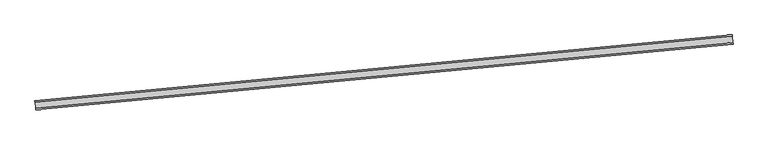
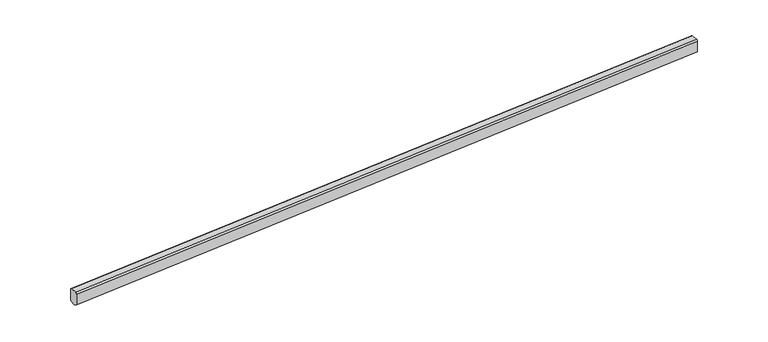
"""IFC4 building model written with IfcOpenShell, lengths in millimetres: railing geometry."""

from ifc_helpers import new_model, si_unit, point, frame, frame_2d, origin, place, context, project, spatial, polyline, circle_curve, trimmed, segment, composite_curve, outline, extrude, source, transform, mapped, element, save


def railing_7397c95d(model_context):
    return source(origin(), model_context, "Body", "SweptSolid", [
        extrude(outline(composite_curve([segment(trimmed(circle_curve(frame_2d((-142.2527307, 75.0)), 75.0), [point((-142.2527307, 0.0))], [point((-217.2527306, 75.0))], False, "CARTESIAN"), True, "CONTINUOUS"), segment(polyline([(-217.2527306, 75.0), (-217.2527306, 650.0), (-37.2527306, 750.0), (52.7472694, 750.0), (232.7472694, 650.0), (232.7472694, 75.0)]), True, "CONTINUOUS"), segment(trimmed(circle_curve(frame_2d((157.7472694, 75.0)), 75.0), [point((232.7472694, 75.0))], [point((157.7472694, 0.0))], False, "CARTESIAN"), True, "CONTINUOUS"), segment(polyline([(157.7472694, 0.0), (-142.2527307, 0.0)]), True, "CONTINUOUS")], self_intersect=False)), frame((77314.338875, 7727.0499118, 15699.9999999), z_axis=(0.9955739185395581, 0.09398176803928165, 0.0), x_axis=(0.09398176803928165, -0.9955739185395581, 0.0)), (0.0, 0.0, 1.0), 34142.0191299),
    ])


if __name__ == "__main__":
    model = new_model("IFC4")
    model_context = context("Model", 3, world=origin())
    ifc_project = project(units=[si_unit("LENGTHUNIT", "METRE", prefix="MILLI")], contexts=[model_context])
    site = spatial("IfcSite", under=ifc_project)
    building = spatial("IfcBuilding", under=site)
    placement = place(None, origin())
    railing_shape = railing_7397c95d(model_context)
    element("IfcRailing", 1, at=placement, inside=building, context=model_context, shape_type="MappedRepresentation", body=[
        mapped(railing_shape, transform((0.0, 0.0, 0.0), x_axis=(1.0, 0.0, 0.0), y_axis=(0.0, 1.0, 0.0), z_axis=(0.0, 0.0, 1.0))),
    ])
    save(model, "model.ifc")
